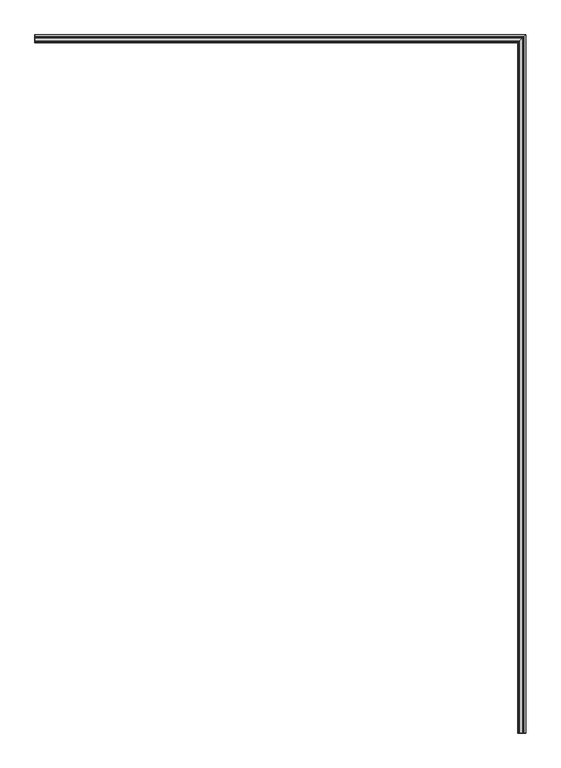
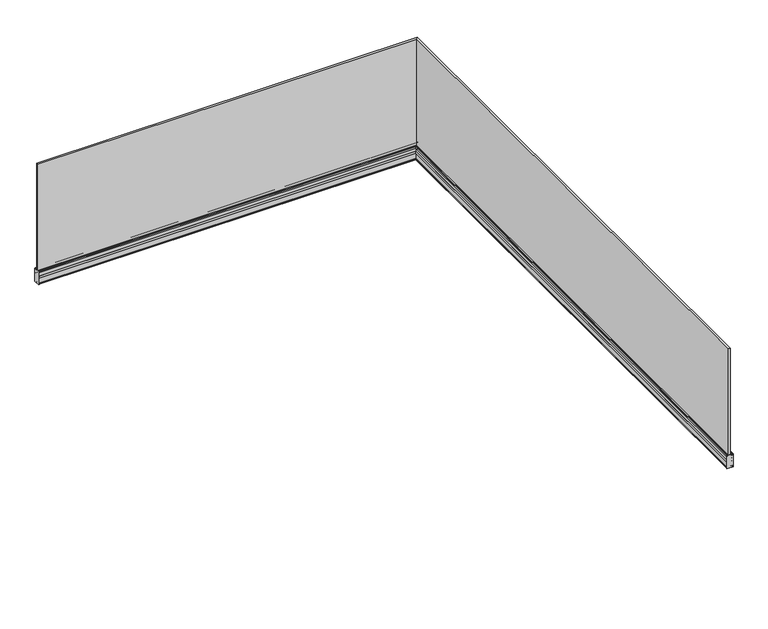
"""IFC4 building model written with IfcOpenShell, lengths in millimetres: railing geometry."""

from ifc_helpers import new_model, si_unit, frame, origin, place, context, project, spatial, polyline, circle_curve, ellipse_curve, outline, extrude, faceted_brep, source, transform, mapped, element, save
from ifc_brep_helpers import plane_surface, cylinder_surface, advanced_brep


def railing_8c713dc6(model_context):
    return source(origin(), model_context, "Body", "SolidModel", [
        faceted_brep([(-133.7924845, -67863.3362173, 1000.0), (-151.3124845, -67863.3362173, 1000.0), (-151.3124845, -67863.3362173, -150.0), (-133.7924845, -67863.3362173, -150.0), (-133.7924845, -62829.5762173, 1000.0), (-151.3124845, -62847.0962173, 1000.0), (-151.3124845, -62847.0962173, -150.0), (-133.7924845, -62829.5762173, -150.0), (-3667.5524845, -62829.5762173, 1000.0), (-3667.5524845, -62829.5762173, -150.0), (-3667.5524845, -62847.0962173, -150.0), (-3667.5524845, -62847.0962173, 1000.0)], [[[0, 1, 2, 3]], [[1, 0, 4, 5]], [[2, 1, 5, 6]], [[3, 2, 6, 7]], [[0, 3, 7, 4]], [[8, 9, 10, 11]], [[5, 4, 8, 11]], [[6, 5, 11, 10]], [[7, 6, 10, 9]], [[4, 7, 9, 8]]]),
        faceted_brep([(-161.9524845, -67863.3362173, -43.0), (-167.5524845, -67863.3362173, -43.0), (-167.5524845, -67863.3362173, -55.0), (-165.5524845, -67863.3362173, -55.0), (-165.5524845, -67863.3362173, -87.5), (-167.5524845, -67863.3362173, -87.5), (-167.5524845, -67863.3362173, -105.5), (-165.5524845, -67863.3362173, -105.5), (-165.5524845, -67863.3362173, -158.0), (-167.5524845, -67863.3362173, -158.0), (-167.5524845, -67863.3362173, -168.0), (-155.5524845, -67863.3362173, -168.0), (-154.5524845, -67863.3362173, -167.0), (-130.5524845, -67863.3362173, -167.0), (-129.5524845, -67863.3362173, -168.0), (-117.5524845, -67863.3362173, -168.0), (-117.5524845, -67863.3362173, -112.7), (-121.5524845, -67863.3362173, -112.7), (-121.5524845, -67863.3362173, -80.3), (-117.5524845, -67863.3362173, -80.3), (-117.5524845, -67863.3362173, -43.0), (-123.1524845, -67863.3362173, -43.0), (-123.1524845, -67863.3362173, -48.3), (-125.1524845, -67863.3362173, -48.3), (-125.1524845, -67863.3362173, -45.55), (-126.5524845, -67863.3362173, -45.55), (-126.5524845, -67863.3362173, -54.7513359), (-124.4524845, -67863.3362173, -54.7513359), (-124.4524845, -67863.3362173, -58.0013359), (-129.3652356, -67863.3362173, -58.0013359), (-129.3652356, -67863.3362173, -60.0), (-127.3652356, -67863.3362173, -60.0), (-130.5524845, -67863.3362173, -133.0), (-130.5524845, -67863.3362173, -153.0), (-154.5524845, -67863.3362173, -153.0), (-154.5524845, -67863.3362173, -133.0), (-157.8269968, -67863.3362173, -58.0013359), (-160.6524845, -67863.3362173, -58.0013359), (-160.6524845, -67863.3362173, -54.7513359), (-158.5524845, -67863.3362173, -54.7513359), (-158.5524845, -67863.3362173, -45.55), (-159.9524845, -67863.3362173, -45.55), (-159.9524845, -67863.3362173, -48.3), (-161.9524845, -67863.3362173, -48.3), (-161.9524845, -62857.7362173, -48.3), (-161.9524845, -62857.7362173, -43.0), (-159.9524845, -62855.7362173, -48.3), (-159.9524845, -62855.7362173, -45.55), (-158.5524845, -62854.3362173, -45.55), (-158.5524845, -62854.3362173, -54.7513359), (-160.6524845, -62856.4362173, -54.7513359), (-160.6524845, -62856.4362173, -58.0013359), (-157.8269968, -62853.6107297, -58.0013359), (-154.5524845, -62850.3362173, -133.0), (-154.5524845, -62850.3362173, -153.0), (-130.5524845, -62826.3362173, -153.0), (-130.5524845, -62826.3362173, -133.0), (-127.3652356, -62823.1489685, -60.0), (-129.3652356, -62825.1489685, -60.0), (-129.3652356, -62825.1489685, -58.0013359), (-124.4524845, -62820.2362173, -58.0013359), (-124.4524845, -62820.2362173, -54.7513359), (-126.5524845, -62822.3362173, -54.7513359), (-126.5524845, -62822.3362173, -45.55), (-125.1524845, -62820.9362173, -45.55), (-125.1524845, -62820.9362173, -48.3), (-123.1524845, -62818.9362173, -48.3), (-123.1524845, -62818.9362173, -43.0), (-117.5524845, -62813.3362173, -43.0), (-117.5524845, -62813.3362173, -80.3), (-121.5524845, -62817.3362173, -80.3), (-121.5524845, -62817.3362173, -112.7), (-117.5524845, -62813.3362173, -112.7), (-117.5524845, -62813.3362173, -168.0), (-129.5524845, -62825.3362173, -168.0), (-130.5524845, -62826.3362173, -167.0), (-154.5524845, -62850.3362173, -167.0), (-155.5524845, -62851.3362173, -168.0), (-167.5524845, -62863.3362173, -168.0), (-167.5524845, -62863.3362173, -158.0), (-165.5524845, -62861.3362173, -158.0), (-165.5524845, -62861.3362173, -105.5), (-167.5524845, -62863.3362173, -105.5), (-167.5524845, -62863.3362173, -87.5), (-165.5524845, -62861.3362173, -87.5), (-165.5524845, -62861.3362173, -55.0), (-167.5524845, -62863.3362173, -55.0), (-167.5524845, -62863.3362173, -43.0), (-3667.5524845, -62857.7362173, -43.0), (-3667.5524845, -62857.7362173, -48.3), (-3667.5524845, -62855.7362173, -48.3), (-3667.5524845, -62855.7362173, -45.55), (-3667.5524845, -62854.3362173, -45.55), (-3667.5524845, -62854.3362173, -54.7513359), (-3667.5524845, -62856.4362173, -54.7513359), (-3667.5524845, -62856.4362173, -58.0013359), (-3667.5524845, -62853.6107297, -58.0013359), (-3667.5524845, -62850.3362173, -133.0), (-3667.5524845, -62850.3362173, -153.0), (-3667.5524845, -62826.3362173, -153.0), (-3667.5524845, -62826.3362173, -133.0), (-3667.5524845, -62823.1489685, -60.0), (-3667.5524845, -62825.1489685, -60.0), (-3667.5524845, -62825.1489685, -58.0013359), (-3667.5524845, -62820.2362173, -58.0013359), (-3667.5524845, -62820.2362173, -54.7513359), (-3667.5524845, -62822.3362173, -54.7513359), (-3667.5524845, -62822.3362173, -45.55), (-3667.5524845, -62820.9362173, -45.55), (-3667.5524845, -62820.9362173, -48.3), (-3667.5524845, -62818.9362173, -48.3), (-3667.5524845, -62818.9362173, -43.0), (-3667.5524845, -62813.3362173, -43.0), (-3667.5524845, -62813.3362173, -80.3), (-3667.5524845, -62817.3362173, -80.3), (-3667.5524845, -62817.3362173, -112.7), (-3667.5524845, -62813.3362173, -112.7), (-3667.5524845, -62813.3362173, -168.0), (-3667.5524845, -62825.3362173, -168.0), (-3667.5524845, -62826.3362173, -167.0), (-3667.5524845, -62850.3362173, -167.0), (-3667.5524845, -62851.3362173, -168.0), (-3667.5524845, -62863.3362173, -168.0), (-3667.5524845, -62863.3362173, -158.0), (-3667.5524845, -62861.3362173, -158.0), (-3667.5524845, -62861.3362173, -105.5), (-3667.5524845, -62863.3362173, -105.5), (-3667.5524845, -62863.3362173, -87.5), (-3667.5524845, -62861.3362173, -87.5), (-3667.5524845, -62861.3362173, -55.0), (-3667.5524845, -62863.3362173, -55.0), (-3667.5524845, -62863.3362173, -43.0)], [[[0, 1, 2, 3, 4, 5, 6, 7, 8, 9, 10, 11, 12, 13, 14, 15, 16, 17, 18, 19, 20, 21, 22, 23, 24, 25, 26, 27, 28, 29, 30, 31, 32, 33, 34, 35, 36, 37, 38, 39, 40, 41, 42, 43]], [[0, 43, 44, 45]], [[43, 42, 46, 44]], [[42, 41, 47, 46]], [[41, 40, 48, 47]], [[40, 39, 49, 48]], [[39, 38, 50, 49]], [[38, 37, 51, 50]], [[37, 36, 52, 51]], [[36, 35, 53, 52]], [[35, 34, 54, 53]], [[34, 33, 55, 54]], [[33, 32, 56, 55]], [[32, 31, 57, 56]], [[31, 30, 58, 57]], [[30, 29, 59, 58]], [[29, 28, 60, 59]], [[28, 27, 61, 60]], [[27, 26, 62, 61]], [[26, 25, 63, 62]], [[25, 24, 64, 63]], [[24, 23, 65, 64]], [[23, 22, 66, 65]], [[22, 21, 67, 66]], [[21, 20, 68, 67]], [[20, 19, 69, 68]], [[19, 18, 70, 69]], [[18, 17, 71, 70]], [[17, 16, 72, 71]], [[16, 15, 73, 72]], [[15, 14, 74, 73]], [[14, 13, 75, 74]], [[13, 12, 76, 75]], [[12, 11, 77, 76]], [[11, 10, 78, 77]], [[10, 9, 79, 78]], [[9, 8, 80, 79]], [[8, 7, 81, 80]], [[7, 6, 82, 81]], [[6, 5, 83, 82]], [[5, 4, 84, 83]], [[4, 3, 85, 84]], [[3, 2, 86, 85]], [[2, 1, 87, 86]], [[1, 0, 45, 87]], [[88, 89, 90, 91, 92, 93, 94, 95, 96, 97, 98, 99, 100, 101, 102, 103, 104, 105, 106, 107, 108, 109, 110, 111, 112, 113, 114, 115, 116, 117, 118, 119, 120, 121, 122, 123, 124, 125, 126, 127, 128, 129, 130, 131]], [[45, 44, 89, 88]], [[44, 46, 90, 89]], [[46, 47, 91, 90]], [[47, 48, 92, 91]], [[48, 49, 93, 92]], [[49, 50, 94, 93]], [[50, 51, 95, 94]], [[51, 52, 96, 95]], [[52, 53, 97, 96]], [[53, 54, 98, 97]], [[54, 55, 99, 98]], [[55, 56, 100, 99]], [[56, 57, 101, 100]], [[57, 58, 102, 101]], [[58, 59, 103, 102]], [[59, 60, 104, 103]], [[60, 61, 105, 104]], [[61, 62, 106, 105]], [[62, 63, 107, 106]], [[63, 64, 108, 107]], [[64, 65, 109, 108]], [[65, 66, 110, 109]], [[66, 67, 111, 110]], [[67, 68, 112, 111]], [[68, 69, 113, 112]], [[69, 70, 114, 113]], [[70, 71, 115, 114]], [[71, 72, 116, 115]], [[72, 73, 117, 116]], [[73, 74, 118, 117]], [[74, 75, 119, 118]], [[75, 76, 120, 119]], [[76, 77, 121, 120]], [[77, 78, 122, 121]], [[78, 79, 123, 122]], [[79, 80, 124, 123]], [[80, 81, 125, 124]], [[81, 82, 126, 125]], [[82, 83, 127, 126]], [[83, 84, 128, 127]], [[84, 85, 129, 128]], [[85, 86, 130, 129]], [[86, 87, 131, 130]], [[87, 45, 88, 131]]]),
        faceted_brep([(-123.3524845, -67863.3362173, -42.6405646), (-133.5217324, -67863.3362173, -41.3196853), (-133.5217324, -67863.3362173, -50.0), (-126.7524845, -67863.3362173, -50.0), (-126.7524845, -67863.3362173, -45.35), (-124.9524845, -67863.3362173, -45.35), (-124.9524845, -67863.3362173, -48.1), (-123.3524845, -67863.3362173, -48.1), (-123.3524845, -62819.1362173, -48.1), (-123.3524845, -62819.1362173, -42.6405646), (-124.9524845, -62820.7362173, -48.1), (-124.9524845, -62820.7362173, -45.35), (-126.7524845, -62822.5362173, -45.35), (-126.7524845, -62822.5362173, -50.0), (-133.5217324, -62829.3054652, -50.0), (-133.5217324, -62829.3054652, -41.3196853), (-3667.5524845, -62819.1362173, -42.6405646), (-3667.5524845, -62819.1362173, -48.1), (-3667.5524845, -62820.7362173, -48.1), (-3667.5524845, -62820.7362173, -45.35), (-3667.5524845, -62822.5362173, -45.35), (-3667.5524845, -62822.5362173, -50.0), (-3667.5524845, -62829.3054652, -50.0), (-3667.5524845, -62829.3054652, -41.3196853)], [[[0, 1, 2, 3, 4, 5, 6, 7]], [[0, 7, 8, 9]], [[7, 6, 10, 8]], [[6, 5, 11, 10]], [[5, 4, 12, 11]], [[4, 3, 13, 12]], [[3, 2, 14, 13]], [[2, 1, 15, 14]], [[1, 0, 9, 15]], [[16, 17, 18, 19, 20, 21, 22, 23]], [[9, 8, 17, 16]], [[8, 10, 18, 17]], [[10, 11, 19, 18]], [[11, 12, 20, 19]], [[12, 13, 21, 20]], [[13, 14, 22, 21]], [[14, 15, 23, 22]], [[15, 9, 16, 23]]]),
        faceted_brep([(-161.744672, -67863.3362173, -42.6405646), (-161.744672, -67863.3362173, -48.1), (-160.144672, -67863.3362173, -48.1), (-160.144672, -67863.3362173, -45.35), (-158.344672, -67863.3362173, -45.35), (-158.344672, -67863.3362173, -50.0), (-151.575424, -67863.3362173, -50.0), (-151.575424, -67863.3362173, -41.3196853), (-151.575424, -62847.3591569, -41.3196853), (-161.744672, -62857.5284048, -42.6405646), (-151.575424, -62847.3591569, -50.0), (-158.344672, -62854.1284048, -50.0), (-158.344672, -62854.1284048, -45.35), (-160.144672, -62855.9284048, -45.35), (-160.144672, -62855.9284048, -48.1), (-161.744672, -62857.5284048, -48.1), (-3667.5524845, -62857.5284048, -42.6405646), (-3667.5524845, -62847.3591569, -41.3196853), (-3667.5524845, -62847.3591569, -50.0), (-3667.5524845, -62854.1284048, -50.0), (-3667.5524845, -62854.1284048, -45.35), (-3667.5524845, -62855.9284048, -45.35), (-3667.5524845, -62855.9284048, -48.1), (-3667.5524845, -62857.5284048, -48.1)], [[[0, 1, 2, 3, 4, 5, 6, 7]], [[0, 7, 8, 9]], [[7, 6, 10, 8]], [[6, 5, 11, 10]], [[5, 4, 12, 11]], [[4, 3, 13, 12]], [[3, 2, 14, 13]], [[2, 1, 15, 14]], [[1, 0, 9, 15]], [[16, 17, 18, 19, 20, 21, 22, 23]], [[9, 8, 17, 16]], [[8, 10, 18, 17]], [[10, 11, 19, 18]], [[11, 12, 20, 19]], [[12, 13, 21, 20]], [[13, 14, 22, 21]], [[14, 15, 23, 22]], [[15, 9, 16, 23]]]),
        advanced_brep(
        [(-165.8024845, -67863.3362173, -169.7), (-109.2524845, -67863.3362173, -169.7), (-109.2524845, -67863.3362173, -41.3), (-121.9024845, -67863.3362173, -41.3), (-121.9024845, -67863.3362173, -42.8), (-117.0524845, -67863.3362173, -42.8), (-117.0524845, -67863.3362173, -57.8), (-115.5524845, -67863.3362173, -57.8), (-115.5524845, -67863.3362173, -42.8), (-110.7524845, -67863.3362173, -42.8), (-110.7524845, -67863.3362173, -81.4), (-119.543041, -67863.3362173, -81.4), (-119.543041, -67863.3362173, -82.9), (-110.7524845, -67863.3362173, -82.9), (-110.7524845, -67863.3362173, -110.1), (-119.4564385, -67863.3362173, -110.1), (-119.4564385, -67863.3362173, -111.6), (-110.7524845, -67863.3362173, -111.6), (-110.7524845, -67863.3362173, -168.2), (-115.5524845, -67863.3362173, -168.2), (-115.5524845, -67863.3362173, -153.0), (-117.0524845, -67863.3362173, -153.0), (-117.0524845, -67863.3362173, -168.2), (-165.8024845, -67863.3362173, -168.2), (-165.8024845, -62861.5862173, -168.2), (-165.8024845, -62861.5862173, -169.7), (-117.0524845, -62812.8362173, -168.2), (-117.0524845, -62812.8362173, -153.0), (-115.5524845, -62811.3362173, -153.0), (-115.5524845, -62811.3362173, -168.2), (-110.7524845, -62806.5362173, -168.2), (-110.7524845, -62806.5362173, -111.6), (-119.4564385, -62815.2401713, -111.6), (-119.4564385, -62815.2401713, -110.1), (-110.7524845, -62806.5362173, -110.1), (-110.7524845, -62806.5362173, -82.9), (-119.543041, -62815.3267738, -82.9), (-119.543041, -62815.3267738, -81.4), (-110.7524845, -62806.5362173, -81.4), (-110.7524845, -62806.5362173, -42.8), (-115.5524845, -62811.3362173, -42.8), (-115.5524845, -62811.3362173, -57.8), (-117.0524845, -62812.8362173, -57.8), (-117.0524845, -62812.8362173, -42.8), (-121.9024845, -62817.6862173, -42.8), (-121.9024845, -62817.6862173, -41.3), (-109.2524845, -62805.0362173, -41.3), (-109.2524845, -62805.0362173, -169.7), (-3667.5524845, -62861.5862173, -169.7), (-3667.5524845, -62861.5862173, -168.2), (-3667.5524845, -62812.8362173, -168.2), (-3667.5524845, -62812.8362173, -153.0), (-3667.5524845, -62811.3362173, -153.0), (-3667.5524845, -62811.3362173, -168.2), (-3667.5524845, -62806.5362173, -168.2), (-3667.5524845, -62806.5362173, -111.6), (-3667.5524845, -62815.2401713, -111.6), (-3667.5524845, -62815.2401713, -110.1), (-3667.5524845, -62806.5362173, -110.1), (-3667.5524845, -62806.5362173, -82.9), (-3667.5524845, -62815.3267738, -82.9), (-3667.5524845, -62815.3267738, -81.4), (-3667.5524845, -62806.5362173, -81.4), (-3667.5524845, -62806.5362173, -42.8), (-3667.5524845, -62811.3362173, -42.8), (-3667.5524845, -62811.3362173, -57.8), (-3667.5524845, -62812.8362173, -57.8), (-3667.5524845, -62812.8362173, -42.8), (-3667.5524845, -62817.6862173, -42.8), (-3667.5524845, -62817.6862173, -41.3), (-3667.5524845, -62805.0362173, -41.3), (-3667.5524845, -62805.0362173, -169.7)],
        [
            (0, 1),
            (1, 2),
            (2, 3),
            (3, 4, circle_curve(frame((-121.9024845, -67863.3362173, -42.05), z_axis=(0.0, -1.0, 0.0), x_axis=(1.0, 0.0, 0.0)), 0.75)),
            (4, 5),
            (5, 6),
            (6, 7),
            (7, 8),
            (8, 9),
            (9, 10),
            (10, 11),
            (11, 12, circle_curve(frame((-119.543041, -67863.3362173, -82.15), z_axis=(0.0, -1.0, 0.0), x_axis=(1.0, 0.0, 0.0)), 0.75)),
            (12, 13),
            (13, 14),
            (14, 15),
            (15, 16, circle_curve(frame((-119.4564385, -67863.3362173, -110.85), z_axis=(0.0, -1.0, 0.0), x_axis=(1.0, 0.0, 0.0)), 0.75)),
            (16, 17),
            (17, 18),
            (18, 19),
            (19, 20),
            (20, 21),
            (21, 22),
            (22, 23),
            (23, 0, circle_curve(frame((-165.8024845, -67863.3362173, -168.95), z_axis=(0.0, -1.0, 0.0), x_axis=(1.0, 0.0, 0.0)), 0.75)),
            (23, 24),
            (24, 25, ellipse_curve(frame((-165.8024845, -62861.5862173, -168.95), z_axis=(0.7071067811865475, -0.7071067811865475, 0.0), x_axis=(-0.7071067811865474, -0.7071067811865476, 0.0)), 1.0606602, 0.75)),
            (25, 0),
            (22, 26),
            (26, 24),
            (21, 27),
            (27, 26),
            (20, 28),
            (28, 27),
            (19, 29),
            (29, 28),
            (18, 30),
            (30, 29),
            (17, 31),
            (31, 30),
            (16, 32),
            (32, 31),
            (15, 33),
            (33, 32, ellipse_curve(frame((-119.4564385, -62815.2401713, -110.85), z_axis=(0.7071067811865475, -0.7071067811865475, 0.0), x_axis=(-0.7071067811865474, -0.7071067811865476, 0.0)), 1.0606602, 0.75)),
            (14, 34),
            (34, 33),
            (13, 35),
            (35, 34),
            (12, 36),
            (36, 35),
            (11, 37),
            (37, 36, ellipse_curve(frame((-119.543041, -62815.3267738, -82.15), z_axis=(0.7071067811865475, -0.7071067811865475, 0.0), x_axis=(-0.7071067811865474, -0.7071067811865476, 0.0)), 1.0606602, 0.75)),
            (10, 38),
            (38, 37),
            (9, 39),
            (39, 38),
            (8, 40),
            (40, 39),
            (7, 41),
            (41, 40),
            (6, 42),
            (42, 41),
            (5, 43),
            (43, 42),
            (4, 44),
            (44, 43),
            (3, 45),
            (45, 44, ellipse_curve(frame((-121.9024845, -62817.6862173, -42.05), z_axis=(0.7071067811865475, -0.7071067811865475, 0.0), x_axis=(-0.7071067811865474, -0.7071067811865476, 0.0)), 1.0606602, 0.75)),
            (2, 46),
            (46, 45),
            (1, 47),
            (47, 46),
            (25, 47),
            (48, 49, circle_curve(frame((-3667.5524845, -62861.5862173, -168.95), z_axis=(-1.0, 0.0, 0.0), x_axis=(0.0, 1.0, 0.0)), 0.75)),
            (49, 50),
            (50, 51),
            (51, 52),
            (52, 53),
            (53, 54),
            (54, 55),
            (55, 56),
            (56, 57, circle_curve(frame((-3667.5524845, -62815.2401713, -110.85), z_axis=(-1.0, 0.0, 0.0), x_axis=(0.0, 1.0, 0.0)), 0.75)),
            (57, 58),
            (58, 59),
            (59, 60),
            (60, 61, circle_curve(frame((-3667.5524845, -62815.3267738, -82.15), z_axis=(-1.0, 0.0, 0.0), x_axis=(0.0, 1.0, 0.0)), 0.75)),
            (61, 62),
            (62, 63),
            (63, 64),
            (64, 65),
            (65, 66),
            (66, 67),
            (67, 68),
            (68, 69, circle_curve(frame((-3667.5524845, -62817.6862173, -42.05), z_axis=(-1.0, 0.0, 0.0), x_axis=(0.0, 1.0, 0.0)), 0.75)),
            (69, 70),
            (70, 71),
            (71, 48),
            (24, 49),
            (48, 25),
            (26, 50),
            (27, 51),
            (28, 52),
            (29, 53),
            (30, 54),
            (31, 55),
            (32, 56),
            (33, 57),
            (34, 58),
            (35, 59),
            (36, 60),
            (37, 61),
            (38, 62),
            (39, 63),
            (40, 64),
            (41, 65),
            (42, 66),
            (43, 67),
            (44, 68),
            (45, 69),
            (46, 70),
            (47, 71),
        ],
        [
            plane_surface(frame((-142.0524845, -67863.3362173, -168.0), z_axis=(0.0, -1.0, 0.0), x_axis=(0.0, 0.0, 1.0))),
            cylinder_surface(frame((-165.8024845, -67863.3362173, -168.95), z_axis=(0.0, -1.0, 0.0), x_axis=(1.0, 0.0, 0.0)), 0.75),
            plane_surface(frame((-117.0524845, -67863.3362173, -168.2), z_axis=(0.0, 0.0, 1.0), x_axis=(0.0, 1.0, 0.0))),
            plane_surface(frame((-117.0524845, -67863.3362173, -153.0), z_axis=(-1.0, 0.0, 0.0), x_axis=(0.0, 1.0, 0.0))),
            plane_surface(frame((-115.5524845, -67863.3362173, -153.0), z_axis=(0.0, 0.0, 1.0), x_axis=(0.0, 1.0, 0.0))),
            plane_surface(frame((-115.5524845, -67863.3362173, -168.2), z_axis=(1.0, 0.0, 0.0), x_axis=(0.0, 1.0, 0.0))),
            plane_surface(frame((-110.7524845, -67863.3362173, -168.2), z_axis=(0.0, 0.0, 1.0), x_axis=(0.0, 1.0, 0.0))),
            plane_surface(frame((-110.7524845, -67863.3362173, -111.6), z_axis=(-1.0, 0.0, 0.0), x_axis=(0.0, 1.0, 0.0))),
            plane_surface(frame((-119.4564385, -67863.3362173, -111.6), z_axis=(0.0, 0.0, -1.0), x_axis=(0.0, 1.0, 0.0))),
            cylinder_surface(frame((-119.4564385, -67863.3362173, -110.85), z_axis=(0.0, -1.0, 0.0), x_axis=(1.0, 0.0, 0.0)), 0.75),
            plane_surface(frame((-110.7524845, -67863.3362173, -110.1), z_axis=(0.0, 0.0, 1.0), x_axis=(0.0, 1.0, 0.0))),
            plane_surface(frame((-110.7524845, -67863.3362173, -82.9), z_axis=(-1.0, 0.0, 0.0), x_axis=(0.0, 1.0, 0.0))),
            plane_surface(frame((-119.543041, -67863.3362173, -82.9), z_axis=(0.0, 0.0, -1.0), x_axis=(0.0, 1.0, 0.0))),
            cylinder_surface(frame((-119.543041, -67863.3362173, -82.15), z_axis=(0.0, -1.0, 0.0), x_axis=(1.0, 0.0, 0.0)), 0.75),
            plane_surface(frame((-110.7524845, -67863.3362173, -81.4), z_axis=(0.0, 0.0, 1.0), x_axis=(0.0, 1.0, 0.0))),
            plane_surface(frame((-110.7524845, -67863.3362173, -42.8), z_axis=(-1.0, 0.0, 0.0), x_axis=(0.0, 1.0, 0.0))),
            plane_surface(frame((-115.5524845, -67863.3362173, -42.8), z_axis=(0.0, 0.0, -1.0), x_axis=(0.0, 1.0, 0.0))),
            plane_surface(frame((-115.5524845, -67863.3362173, -57.8), z_axis=(1.0, 0.0, 0.0), x_axis=(0.0, 1.0, 0.0))),
            plane_surface(frame((-117.0524845, -67863.3362173, -57.8), z_axis=(0.0, 0.0, -1.0), x_axis=(0.0, 1.0, 0.0))),
            plane_surface(frame((-117.0524845, -67863.3362173, -42.8), z_axis=(-1.0, 0.0, 0.0), x_axis=(0.0, 1.0, 0.0))),
            plane_surface(frame((-121.9024845, -67863.3362173, -42.8), z_axis=(0.0, 0.0, -1.0), x_axis=(0.0, 1.0, 0.0))),
            cylinder_surface(frame((-121.9024845, -67863.3362173, -42.05), z_axis=(0.0, -1.0, 0.0), x_axis=(1.0, 0.0, 0.0)), 0.75),
            plane_surface(frame((-109.2524845, -67863.3362173, -41.3), z_axis=(0.0, 0.0, 1.0), x_axis=(0.0, 1.0, 0.0))),
            plane_surface(frame((-109.2524845, -67863.3362173, -169.7), z_axis=(1.0, 0.0, 0.0), x_axis=(0.0, 1.0, 0.0))),
            plane_surface(frame((-165.8024845, -67863.3362173, -169.7), z_axis=(0.0, 0.0, -1.0), x_axis=(0.0, 1.0, 0.0))),
            plane_surface(frame((-3667.5524845, -62837.8362173, -168.0), z_axis=(-1.0, 0.0, 0.0), x_axis=(0.0, -1.0, 0.0))),
            cylinder_surface(frame((-142.0524845, -62861.5862173, -168.95), z_axis=(1.0, 0.0, 0.0), x_axis=(0.0, 1.0, 0.0)), 0.75),
            plane_surface(frame((-117.0524845, -62812.8362173, -168.2), z_axis=(0.0, 0.0, 1.0), x_axis=(-1.0, 0.0, 0.0))),
            plane_surface(frame((-117.0524845, -62812.8362173, -153.0), z_axis=(0.0, -1.0, 0.0), x_axis=(-1.0, 0.0, 0.0))),
            plane_surface(frame((-115.5524845, -62811.3362173, -153.0), z_axis=(0.0, 0.0, 1.0), x_axis=(-1.0, 0.0, 0.0))),
            plane_surface(frame((-115.5524845, -62811.3362173, -168.2), z_axis=(0.0, 1.0, 0.0), x_axis=(-1.0, 0.0, 0.0))),
            plane_surface(frame((-110.7524845, -62806.5362173, -168.2), z_axis=(0.0, 0.0, 1.0), x_axis=(-1.0, 0.0, 0.0))),
            plane_surface(frame((-110.7524845, -62806.5362173, -111.6), z_axis=(0.0, -1.0, 0.0), x_axis=(-1.0, 0.0, 0.0))),
            plane_surface(frame((-119.4564385, -62815.2401713, -111.6), z_axis=(0.0, 0.0, -1.0), x_axis=(-1.0, 0.0, 0.0))),
            cylinder_surface(frame((-142.0524845, -62815.2401713, -110.85), z_axis=(1.0, 0.0, 0.0), x_axis=(0.0, 1.0, 0.0)), 0.75),
            plane_surface(frame((-110.7524845, -62806.5362173, -110.1), z_axis=(0.0, 0.0, 1.0), x_axis=(-1.0, 0.0, 0.0))),
            plane_surface(frame((-110.7524845, -62806.5362173, -82.9), z_axis=(0.0, -1.0, 0.0), x_axis=(-1.0, 0.0, 0.0))),
            plane_surface(frame((-119.543041, -62815.3267738, -82.9), z_axis=(0.0, 0.0, -1.0), x_axis=(-1.0, 0.0, 0.0))),
            cylinder_surface(frame((-142.0524845, -62815.3267738, -82.15), z_axis=(1.0, 0.0, 0.0), x_axis=(0.0, 1.0, 0.0)), 0.75),
            plane_surface(frame((-110.7524845, -62806.5362173, -81.4), z_axis=(0.0, 0.0, 1.0), x_axis=(-1.0, 0.0, 0.0))),
            plane_surface(frame((-110.7524845, -62806.5362173, -42.8), z_axis=(0.0, -1.0, 0.0), x_axis=(-1.0, 0.0, 0.0))),
            plane_surface(frame((-115.5524845, -62811.3362173, -42.8), z_axis=(0.0, 0.0, -1.0), x_axis=(-1.0, 0.0, 0.0))),
            plane_surface(frame((-115.5524845, -62811.3362173, -57.8), z_axis=(0.0, 1.0, 0.0), x_axis=(-1.0, 0.0, 0.0))),
            plane_surface(frame((-117.0524845, -62812.8362173, -57.8), z_axis=(0.0, 0.0, -1.0), x_axis=(-1.0, 0.0, 0.0))),
            plane_surface(frame((-117.0524845, -62812.8362173, -42.8), z_axis=(0.0, -1.0, 0.0), x_axis=(-1.0, 0.0, 0.0))),
            plane_surface(frame((-121.9024845, -62817.6862173, -42.8), z_axis=(0.0, 0.0, -1.0), x_axis=(-1.0, 0.0, 0.0))),
            cylinder_surface(frame((-142.0524845, -62817.6862173, -42.05), z_axis=(1.0, 0.0, 0.0), x_axis=(0.0, 1.0, 0.0)), 0.75),
            plane_surface(frame((-109.2524845, -62805.0362173, -41.3), z_axis=(0.0, 0.0, 1.0), x_axis=(-1.0, 0.0, 0.0))),
            plane_surface(frame((-109.2524845, -62805.0362173, -169.7), z_axis=(0.0, 1.0, 0.0), x_axis=(-1.0, 0.0, 0.0))),
            plane_surface(frame((-165.8024845, -62861.5862173, -169.7), z_axis=(0.0, 0.0, -1.0), x_axis=(-1.0, 0.0, 0.0))),
        ],
        [
            (0, [[1, 2, 3, 4, 5, 6, 7, 8, 9, 10, 11, 12, 13, 14, 15, 16, 17, 18, 19, 20, 21, 22, 23, 24]]),
            (1, [[-24, 25, 26, 27]]),
            (2, [[-23, 28, 29, -25]]),
            (3, [[-22, 30, 31, -28]]),
            (4, [[-21, 32, 33, -30]]),
            (5, [[-20, 34, 35, -32]]),
            (6, [[-19, 36, 37, -34]]),
            (7, [[-18, 38, 39, -36]]),
            (8, [[-17, 40, 41, -38]]),
            (9, [[-16, 42, 43, -40]]),
            (10, [[-15, 44, 45, -42]]),
            (11, [[-14, 46, 47, -44]]),
            (12, [[-13, 48, 49, -46]]),
            (13, [[-12, 50, 51, -48]]),
            (14, [[-11, 52, 53, -50]]),
            (15, [[-10, 54, 55, -52]]),
            (16, [[-9, 56, 57, -54]]),
            (17, [[-8, 58, 59, -56]]),
            (18, [[-7, 60, 61, -58]]),
            (19, [[-6, 62, 63, -60]]),
            (20, [[-5, 64, 65, -62]]),
            (21, [[-4, 66, 67, -64]]),
            (22, [[-3, 68, 69, -66]]),
            (23, [[-2, 70, 71, -68]]),
            (24, [[-1, -27, 72, -70]]),
            (25, [[73, 74, 75, 76, 77, 78, 79, 80, 81, 82, 83, 84, 85, 86, 87, 88, 89, 90, 91, 92, 93, 94, 95, 96]]),
            (26, [[-26, 97, -73, 98]]),
            (27, [[-29, 99, -74, -97]]),
            (28, [[-31, 100, -75, -99]]),
            (29, [[-33, 101, -76, -100]]),
            (30, [[-35, 102, -77, -101]]),
            (31, [[-37, 103, -78, -102]]),
            (32, [[-39, 104, -79, -103]]),
            (33, [[-41, 105, -80, -104]]),
            (34, [[-43, 106, -81, -105]]),
            (35, [[-45, 107, -82, -106]]),
            (36, [[-47, 108, -83, -107]]),
            (37, [[-49, 109, -84, -108]]),
            (38, [[-51, 110, -85, -109]]),
            (39, [[-53, 111, -86, -110]]),
            (40, [[-55, 112, -87, -111]]),
            (41, [[-57, 113, -88, -112]]),
            (42, [[-59, 114, -89, -113]]),
            (43, [[-61, 115, -90, -114]]),
            (44, [[-63, 116, -91, -115]]),
            (45, [[-65, 117, -92, -116]]),
            (46, [[-67, 118, -93, -117]]),
            (47, [[-69, 119, -94, -118]]),
            (48, [[-71, 120, -95, -119]]),
            (49, [[-72, -98, -96, -120]]),
        ],
    ),
        extrude(outline(polyline([(-3670.5524845, -62805.3362173), (-3667.5524845, -62805.3362173), (-3667.5524845, -62863.3362173), (-3670.5524845, -62863.3362173), (-3670.5524845, -62805.3362173)])), frame((0.0, 0.0, -170.0), z_axis=(0.0, 0.0, 1.0), x_axis=(1.0, 0.0, 0.0)), (0.0, 0.0, 1.0), 128.0),
        extrude(outline(polyline([(-109.5524845, -67863.3362173), (-109.5524845, -67866.3362173), (-167.5524845, -67866.3362173), (-167.5524845, -67863.3362173), (-109.5524845, -67863.3362173)])), frame((0.0, 0.0, -170.0), z_axis=(0.0, 0.0, 1.0), x_axis=(1.0, 0.0, 0.0)), (0.0, 0.0, 1.0), 128.0),
    ])


if __name__ == "__main__":
    model = new_model("IFC4")
    model_context = context("Model", 3, world=origin())
    ifc_project = project(units=[si_unit("LENGTHUNIT", "METRE", prefix="MILLI")], contexts=[model_context])
    site = spatial("IfcSite", under=ifc_project)
    building = spatial("IfcBuilding", under=site)
    placement = place(None, origin())
    railing_shape = railing_8c713dc6(model_context)
    element("IfcRailing", 1, at=placement, inside=building, context=model_context, shape_type="MappedRepresentation", body=[
        mapped(railing_shape, transform((0.0, 0.0, 0.0), x_axis=(1.0, 0.0, 0.0), y_axis=(0.0, 1.0, 0.0), z_axis=(0.0, 0.0, 1.0))),
    ])
    save(model, "model.ifc")
